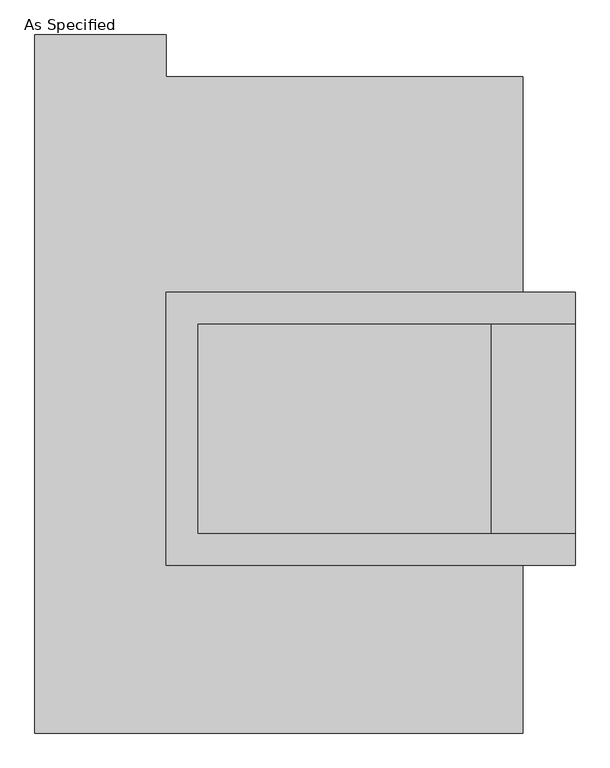
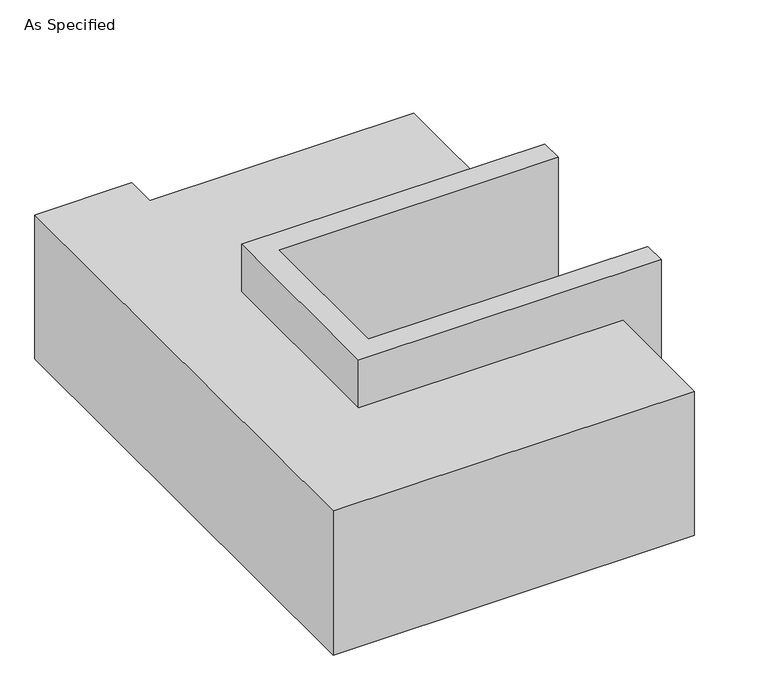
"""IFC4 building model written with IfcOpenShell, lengths in millimetres: proxy geometry, As Specified."""

from ifc_helpers import new_model, si_unit, origin, place, context, project, spatial, faceted_brep, source, transform, mapped, element, save


def as_specified_6dadbd58(model_context):
    return source(origin(), model_context, "Body", "Brep", [
        faceted_brep([(-349.25, 273.05, 139.7), (-349.25, 273.05, -393.7), (-349.25, 196.85, -393.7), (-349.25, 196.85, -25.4), (-349.25, -311.15, -25.4), (-349.25, -311.15, -393.7), (-349.25, -387.35, -393.7), (-349.25, -387.35, 139.7), (641.35, 196.85, 139.7), (641.35, 196.85, -317.5), (641.35, -311.15, -317.5), (641.35, -311.15, 139.7), (641.35, -387.35, 139.7), (641.35, -387.35, -393.7), (641.35, 273.05, -393.7), (641.35, 273.05, 139.7), (-273.05, -311.15, 139.7), (-273.05, 196.85, 139.7), (438.15, -311.15, -393.7), (438.15, 196.85, -393.7), (438.15, -311.15, -317.5), (-273.05, -311.15, -25.4), (438.15, 196.85, -317.5), (-273.05, 196.85, -25.4)], [[[0, 1, 2, 3, 4, 5, 6, 7]], [[8, 9, 10, 11, 12, 13, 14, 15]], [[0, 7, 12, 11, 16, 17, 8, 15]], [[1, 0, 15, 14]], [[14, 13, 6, 5, 18, 19, 2, 1]], [[7, 6, 13, 12]], [[11, 10, 20, 18, 5, 4, 21, 16]], [[10, 9, 22, 20]], [[9, 8, 17, 23, 3, 2, 19, 22]], [[18, 20, 22, 19]], [[23, 21, 4, 3]], [[17, 16, 21, 23]]]),
        faceted_brep([(514.35, -793.75, -523.9742188), (-666.75, -793.75, -523.9742188), (-666.75, 895.35, -523.9742188), (-349.25, 895.35, -523.9742188), (-349.25, 793.75, -523.9742188), (514.35, 793.75, -523.9742188), (-666.75, -793.75, -25.4), (514.35, -793.75, -25.4), (514.35, -387.35, -25.4), (-349.25, -387.35, -25.4), (-349.25, 273.05, -25.4), (514.35, 273.05, -25.4), (514.35, 793.75, -25.4), (-349.25, 793.75, -25.4), (-349.25, 895.35, -25.4), (-666.75, 895.35, -25.4), (514.35, 273.05, -393.7), (514.35, -387.35, -393.7), (-349.25, -387.35, -393.7), (-349.25, 273.05, -393.7)], [[[0, 1, 2, 3, 4, 5]], [[6, 7, 8, 9, 10, 11, 12, 13, 14, 15]], [[12, 5, 4, 13]], [[2, 1, 6, 15]], [[5, 12, 11, 16, 17, 8, 7, 0]], [[1, 0, 7, 6]], [[18, 19, 10, 9]], [[10, 19, 16, 11]], [[19, 18, 17, 16]], [[18, 9, 8, 17]], [[3, 2, 15, 14]], [[4, 3, 14, 13]]]),
    ])


if __name__ == "__main__":
    model = new_model("IFC4")
    model_context = context("Model", 3, world=origin())
    ifc_project = project(units=[si_unit("LENGTHUNIT", "METRE", prefix="MILLI")], contexts=[model_context])
    site = spatial("IfcSite", under=ifc_project)
    building = spatial("IfcBuilding", under=site)
    placement = place(None, origin())
    as_specified_shape = as_specified_6dadbd58(model_context)
    element("IfcBuildingElementProxy", 1, Name="As Specified", ObjectType="As Specified", at=placement, inside=building, context=model_context, shape_type="MappedRepresentation", body=[
        mapped(as_specified_shape, transform((0.0, 0.0, 0.0), x_axis=(1.0, 0.0, 0.0), y_axis=(0.0, 1.0, 0.0), z_axis=(0.0, 0.0, 1.0))),
    ])
    save(model, "model.ifc")
